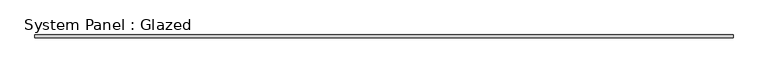
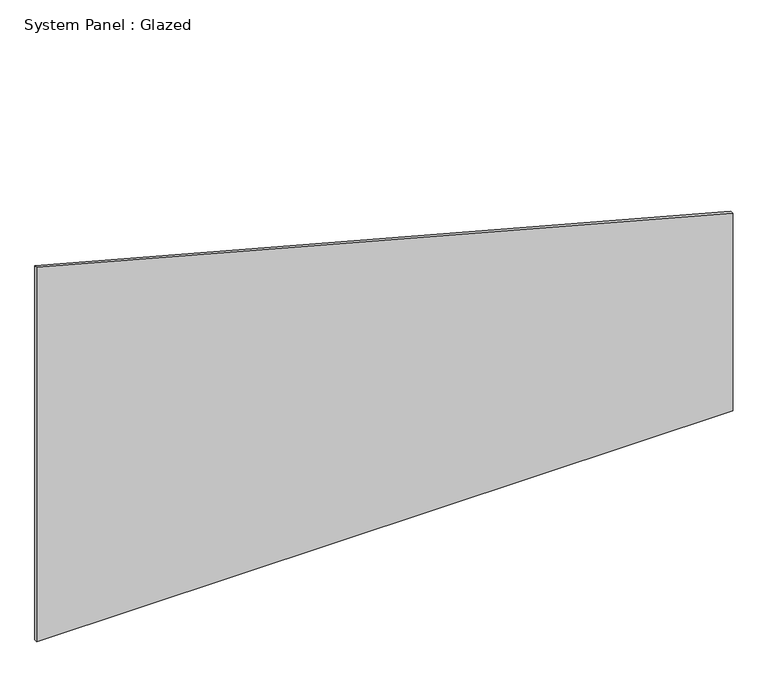
"""IFC4 building model written with IfcOpenShell, lengths in millimetres: plate geometry, System Panel : Glazed."""

from ifc_helpers import new_model, si_unit, frame, origin, place, context, project, spatial, polyline, outline, extrude, source, transform, mapped, element, save


def system_panel_glazed_d1aaad31(model_context):
    return source(origin(), model_context, "Body", "SweptSolid", [
        extrude(outline(polyline([(0.0, -2925.0), (0.0, 2925.0), (1756.8295052, 2925.0), (3324.3322809, -2925.0), (0.0, -2925.0)])), frame((0.0, -22.5, 0.0), z_axis=(0.0, 1.0, 0.0), x_axis=(0.0, 0.0, 1.0)), (0.0, 0.0, 1.0), 25.0),
    ])


if __name__ == "__main__":
    model = new_model("IFC4")
    model_context = context("Model", 3, world=origin())
    ifc_project = project(units=[si_unit("LENGTHUNIT", "METRE", prefix="MILLI")], contexts=[model_context])
    site = spatial("IfcSite", under=ifc_project)
    building = spatial("IfcBuilding", under=site)
    placement = place(None, origin())
    system_panel_glazed_shape = system_panel_glazed_d1aaad31(model_context)
    element("IfcPlate", 1, ObjectType="System Panel : Glazed", at=placement, inside=building, context=model_context, shape_type="MappedRepresentation", body=[
        mapped(system_panel_glazed_shape, transform((0.0, 0.0, 0.0), x_axis=(1.0, 0.0, 0.0), y_axis=(0.0, 1.0, 0.0), z_axis=(0.0, 0.0, 1.0))),
    ])
    save(model, "model.ifc")
